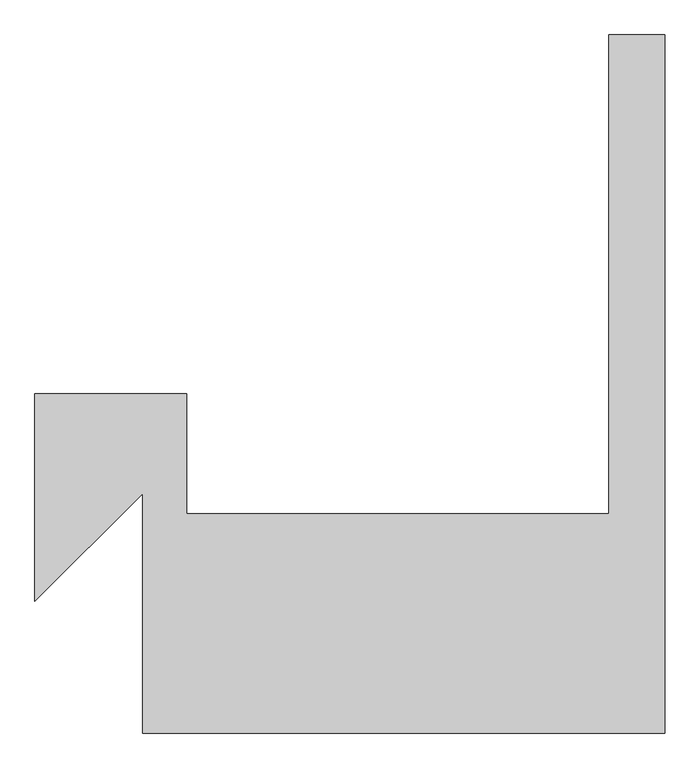
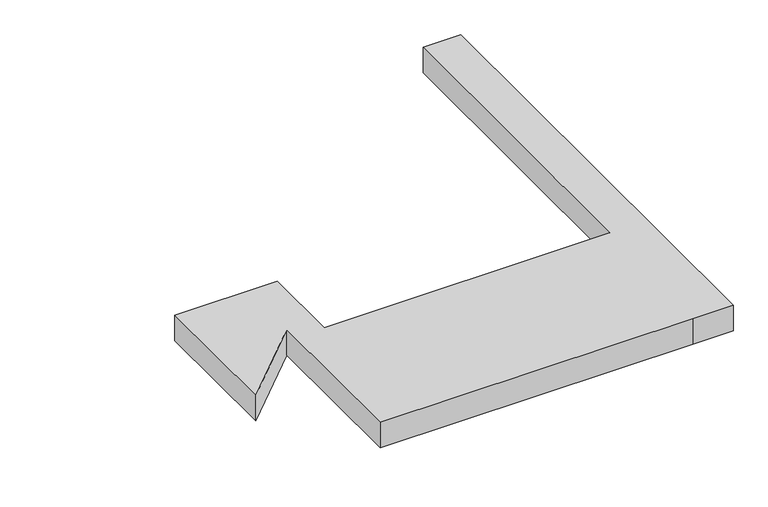
"""IFC4 building model written with IfcOpenShell, lengths in millimetres: geographic element geometry."""

from ifc_helpers import new_model, si_unit, origin, origin_with_axes, place, context, project, spatial, polyline, outline, extrude, source, transform, mapped, element, save


def geographic_element_8df1f6cd(model_context):
    return source(origin(), model_context, "Body", "SweptSolid", [
        extrude(outline(polyline([(2189.7402038, -3611.6353377), (4089.7402038, -3611.6353377), (4089.7402038, -5111.6353377), (9389.7402038, -5111.6353377), (9389.7402038, 888.3646623), (10089.7402038, 888.3646623), (10089.7402038, -7861.6353377), (9339.7402038, -7861.6353377), (3539.7402038, -7861.6353377), (3539.7402038, -4861.6353377), (2189.7402038, -6211.6353377), (2189.7402038, -3611.6353377)])), origin_with_axes(), (0.0, 0.0, 1.0), 500.0),
    ])


if __name__ == "__main__":
    model = new_model("IFC4")
    model_context = context("Model", 3, world=origin())
    ifc_project = project(units=[si_unit("LENGTHUNIT", "METRE", prefix="MILLI")], contexts=[model_context])
    site = spatial("IfcSite", under=ifc_project)
    building = spatial("IfcBuilding", under=site)
    placement = place(None, origin())
    geographic_element_shape = geographic_element_8df1f6cd(model_context)
    element("IfcGeographicElement", 1, at=placement, inside=building, context=model_context, shape_type="MappedRepresentation", body=[
        mapped(geographic_element_shape, transform((0.0, 0.0, 0.0), x_axis=(1.0, 0.0, 0.0), y_axis=(0.0, 1.0, 0.0), z_axis=(0.0, 0.0, 1.0))),
    ])
    save(model, "model.ifc")
